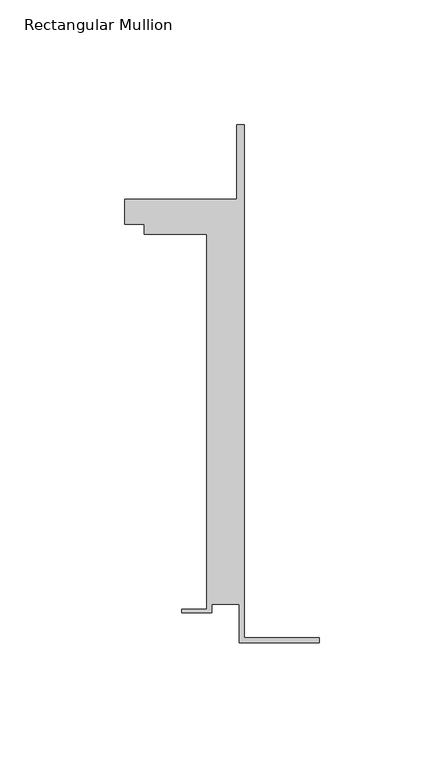
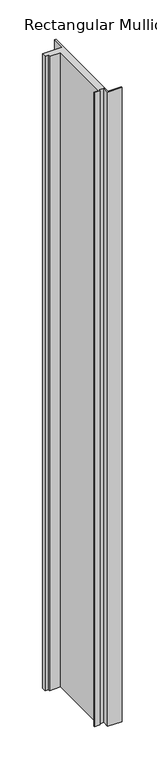
"""IFC4 building model written with IfcOpenShell, lengths in millimetres: member geometry, Rectangular Mullion."""

from ifc_helpers import new_model, si_unit, frame, origin, place, context, project, spatial, polyline, outline, extrude, source, transform, mapped, element, save


def rectangular_mullion_f913cd44(model_context):
    return source(origin(), model_context, "Body", "SweptSolid", [
        extrude(outline(polyline([(-32.1465839, -41.25), (-32.1465839, -25.75), (-43.1465839, -25.75), (-43.1465839, -29.25), (-55.1465839, -29.25), (-55.1465839, -27.75), (-45.1465839, -27.75), (-45.1465839, 122.75), (-70.1466122, 122.75), (-70.1466122, 126.75), (-78.1466122, 126.75), (-78.1466122, 136.75), (-33.1466122, 136.75), (-33.1466122, 166.75), (-30.1465839, 166.75), (-30.1465839, -39.25), (0.0, -39.25), (0.0, -41.25), (-32.1465839, -41.25)])), frame((0.0, 0.0, -1524.2430927), z_axis=(0.0, 0.0, 1.0), x_axis=(1.0, 0.0, 0.0)), (0.0, 0.0, 1.0), 1524.2430927),
    ])


if __name__ == "__main__":
    model = new_model("IFC4")
    model_context = context("Model", 3, world=origin())
    ifc_project = project(units=[si_unit("LENGTHUNIT", "METRE", prefix="MILLI")], contexts=[model_context])
    site = spatial("IfcSite", under=ifc_project)
    building = spatial("IfcBuilding", under=site)
    placement = place(None, origin())
    rectangular_mullion_shape = rectangular_mullion_f913cd44(model_context)
    element("IfcMember", 1, ObjectType="Rectangular Mullion", at=placement, inside=building, context=model_context, shape_type="MappedRepresentation", body=[
        mapped(rectangular_mullion_shape, transform((0.0, 0.0, 0.0), x_axis=(1.0, 0.0, 0.0), y_axis=(0.0, 1.0, 0.0), z_axis=(0.0, 0.0, 1.0))),
    ])
    save(model, "model.ifc")
